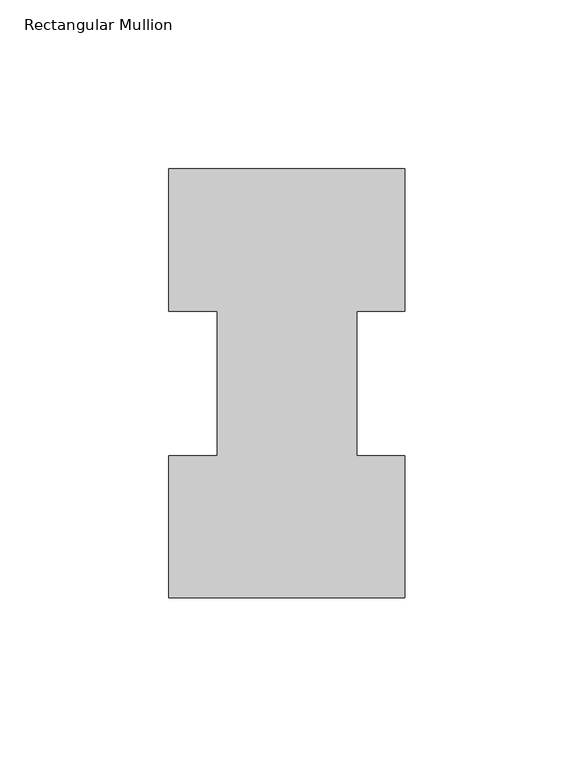
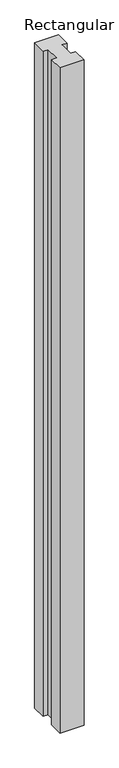
"""IFC4 building model written with IfcOpenShell, lengths in millimetres: member geometry, Rectangular Mullion."""

import ifcopenshell
import ifcopenshell.guid

model = None  # the IFC model being written
_history = None  # IfcOwnerHistory: only IFC2X3 demands one
_inside = {}  # id of a spatial element -> (the spatial element, [elements in it])
_under = {}  # id of a project, library or spatial element -> (it, [spatial elements below it])
_declared = {}  # id of a project -> (the project, [libraries it declares])
_typed = {}  # id of a type object -> (the type object, [elements of that type])
_made_of = {}  # id of a material, layer set ... -> (it, [elements and type objects made of it])


def new_model(schema):
    """Start an empty IFC model of exactly this schema.

    Asked for "IFC4X3", IfcOpenShell would pick the latest addendum, in which some entities
    have other attributes; the version numbers below select the first issue.
    IFC2X3 requires an IfcOwnerHistory on every rooted entity: one is made here for all.
    """
    global model, _history
    if schema == "IFC4X3":
        model = ifcopenshell.file(schema_version=(4, 3, 0, 0))
    else:
        model = ifcopenshell.file(schema=schema)
    _inside.clear()
    _under.clear()
    _declared.clear()
    _typed.clear()
    _made_of.clear()
    _history = None
    if model.schema == "IFC2X3":
        org = make("IfcOrganization", Name="unknown")
        user = make(
            "IfcPersonAndOrganization",
            ThePerson=make("IfcPerson", FamilyName="unknown"),
            TheOrganization=org,
        )
        app = make(
            "IfcApplication",
            ApplicationDeveloper=org,
            Version="unknown",
            ApplicationFullName="unknown",
            ApplicationIdentifier="unknown",
        )
        _history = make(
            "IfcOwnerHistory",
            OwningUser=user,
            OwningApplication=app,
            ChangeAction="ADDED",
            CreationDate=0,
        )
    return model


def make(cls, **values):
    """One entity of the class cls with the attributes given. An attribute that is None is left unset."""
    return model.create_entity(
        cls, **{name: value for name, value in values.items() if value is not None}
    )


def rooted(cls, **values):
    """An entity with a GlobalId (a new one), such as an element, a storey or a relation."""
    return make(cls, GlobalId=ifcopenshell.guid.new(), OwnerHistory=_history, **values)


def si_unit(unit_type, name, prefix=None):
    """IfcSIUnit, for example si_unit("LENGTHUNIT", "METRE", prefix="MILLI")."""
    return make("IfcSIUnit", UnitType=unit_type, Prefix=prefix, Name=name)


def assignment(units):
    """IfcUnitAssignment: the units of a project."""
    return None if units is None else make("IfcUnitAssignment", Units=units)


def point(xyz):
    """IfcCartesianPoint."""
    return None if xyz is None else make("IfcCartesianPoint", Coordinates=xyz)


def direction(xyz):
    """IfcDirection."""
    return None if xyz is None else make("IfcDirection", DirectionRatios=xyz)


def frame(location, z_axis=None, x_axis=None):
    """IfcAxis2Placement3D, a coordinate frame: its origin and axes. An axis left out is left unset."""
    return make(
        "IfcAxis2Placement3D",
        Location=point(location),
        Axis=direction(z_axis),
        RefDirection=direction(x_axis),
    )


def origin():
    """The frame at (0, 0, 0) with its axes left unset."""
    return frame((0.0, 0.0, 0.0))


def place(relative_to, where):
    """IfcLocalPlacement: puts the frame where relative to a parent placement (None: the world)."""
    return make(
        "IfcLocalPlacement", PlacementRelTo=relative_to, RelativePlacement=where
    )


def context(
    kind, dimensions, precision=None, world=None, true_north=None, identifier=None
):
    """IfcGeometricRepresentationContext, for example the 3D "Model" context."""
    return make(
        "IfcGeometricRepresentationContext",
        ContextIdentifier=identifier,
        ContextType=kind,
        CoordinateSpaceDimension=dimensions,
        Precision=precision,
        WorldCoordinateSystem=world,
        TrueNorth=true_north,
    )


def project(units=None, contexts=None):
    """IfcProject with its units and contexts."""
    return rooted(
        "IfcProject",
        Name="project",
        RepresentationContexts=contexts,
        UnitsInContext=assignment(units),
    )


def spatial(cls, under=None, at=None, **own):
    """A site, building, storey or space (cls), placed at a placement, below another one or the project."""
    s = rooted(cls, ObjectPlacement=at, **own)
    if under is not None:
        _under.setdefault(under.id(), (under, []))[1].append(s)
    return s


def polyline(points):
    """IfcPolyline through the points."""
    return make("IfcPolyline", Points=[point(p) for p in points])


def outline(outer, holes=None, kind="AREA"):
    """IfcArbitraryClosedProfileDef: a profile drawn as a closed curve; with holes, ...WithVoids."""
    if holes is None:
        return make("IfcArbitraryClosedProfileDef", ProfileType=kind, OuterCurve=outer)
    return make(
        "IfcArbitraryProfileDefWithVoids",
        ProfileType=kind,
        OuterCurve=outer,
        InnerCurves=holes,
    )


def extrude(swept, where, along, depth):
    """IfcExtrudedAreaSolid: the profile swept, set in the frame where, extruded along a direction by depth."""
    return make(
        "IfcExtrudedAreaSolid",
        SweptArea=swept,
        Position=where,
        ExtrudedDirection=direction(along),
        Depth=depth,
    )


def shape(context_of_items, identifier, shape_type, items):
    """IfcShapeRepresentation: the items that make up one representation, for example the "Body"."""
    return make(
        "IfcShapeRepresentation",
        ContextOfItems=context_of_items,
        RepresentationIdentifier=identifier,
        RepresentationType=shape_type,
        Items=items,
    )


def source(mapping_origin, context_of_items, identifier, shape_type, items):
    """IfcRepresentationMap: a shape defined once, which mapped items show again and again."""
    return make(
        "IfcRepresentationMap",
        MappingOrigin=mapping_origin,
        MappedRepresentation=shape(context_of_items, identifier, shape_type, items),
    )


def transform(
    local_origin,
    x_axis=None,
    y_axis=None,
    z_axis=None,
    scale=None,
    scale2=None,
    scale3=None,
    uniform=True,
):
    """IfcCartesianTransformationOperator3D, or its non-uniform kind. x_axis, y_axis, z_axis: its Axis1, 2, 3."""
    if uniform:
        return make(
            "IfcCartesianTransformationOperator3D",
            Axis1=direction(x_axis),
            Axis2=direction(y_axis),
            LocalOrigin=point(local_origin),
            Scale=scale,
            Axis3=direction(z_axis),
        )
    return make(
        "IfcCartesianTransformationOperator3DnonUniform",
        Axis1=direction(x_axis),
        Axis2=direction(y_axis),
        LocalOrigin=point(local_origin),
        Scale=scale,
        Axis3=direction(z_axis),
        Scale2=scale2,
        Scale3=scale3,
    )


def mapped(mapping_source, mapping_target):
    """IfcMappedItem: shows the shape of a source again, moved by a transform."""
    return make(
        "IfcMappedItem", MappingSource=mapping_source, MappingTarget=mapping_target
    )


def made_of(thing, what):
    """Note that an element or type object is made of a material, layer set ...; save() writes the relation."""
    if what is not None:
        _made_of.setdefault(what.id(), (what, []))[1].append(thing)
    return thing


def element(
    cls,
    number,
    at=None,
    inside=None,
    cuts=None,
    type_object=None,
    material=None,
    context=None,
    identifier="Body",
    shape_type=None,
    held_by="IfcProductDefinitionShape",
    body=None,
    shapes=None,
    **own,
):
    """One element of the class cls, such as IfcWall. Its Tag is "e" and its number.

    at: its placement. inside: the storey or other place that contains it. cuts: it is an
    opening in that element (IfcRelVoidsElement). A single representation is given by context,
    identifier, shape_type and body (its items); several are given by shapes. held_by: the class
    of the entity that holds the representations. save() writes the other relations.
    """
    e = rooted(cls, Tag="e%d" % number, ObjectPlacement=at, **own)
    if body is not None:
        shapes = [shape(context, identifier, shape_type, body)]
    if shapes is not None:
        e.Representation = make(held_by, Representations=shapes)
    if inside is not None:
        _inside.setdefault(inside.id(), (inside, []))[1].append(e)
    if cuts is not None:
        rooted(
            "IfcRelVoidsElement", RelatingBuildingElement=cuts, RelatedOpeningElement=e
        )
    if type_object is not None:
        _typed.setdefault(type_object.id(), (type_object, []))[1].append(e)
    return made_of(e, material)


def aggregate(whole, parts):
    """IfcRelAggregates: a whole, such as a stair, and the parts it consists of."""
    return rooted("IfcRelAggregates", RelatingObject=whole, RelatedObjects=parts)


def save(model, path):
    """Write the relations noted so far, then the file.

    IfcRelAggregates (storeys below a building ...), IfcRelContainedInSpatialStructure (elements
    in a storey), IfcRelDefinesByType, IfcRelAssociatesMaterial and IfcRelDeclares: one each for
    every whole, place, type object, material and project.
    """
    for whole, parts in _under.values():
        aggregate(whole, parts)
    for where, things in _inside.values():
        rooted(
            "IfcRelContainedInSpatialStructure",
            RelatedElements=things,
            RelatingStructure=where,
        )
    for kind, things in _typed.values():
        rooted("IfcRelDefinesByType", RelatedObjects=things, RelatingType=kind)
    for what, things in _made_of.values():
        rooted("IfcRelAssociatesMaterial", RelatedObjects=things, RelatingMaterial=what)
    for by, libraries in _declared.values():
        rooted("IfcRelDeclares", RelatingContext=by, RelatedDefinitions=libraries)
    model.write(path)


def rectangular_mullion_39ab639b(model_context):
    return source(origin(), model_context, "Body", "SweptSolid", [
        extrude(outline(polyline([(-38.1, 127.00635), (31.75, 127.00635), (31.75, 84.93125), (17.4625, 84.93125), (17.4625, 42.08145), (31.75, 42.08145), (31.75, 0.00635), (-38.1, 0.00635), (-38.1, 42.08145), (-23.8125, 42.08145), (-23.8125, 84.93125), (-38.1, 84.93125), (-38.1, 127.00635)])), frame((0.0, 0.0, -2044.7227299), z_axis=(0.0, 0.0, 1.0), x_axis=(1.0, 0.0, 0.0)), (0.0, 0.0, 1.0), 2044.7227299),
    ])


if __name__ == "__main__":
    model = new_model("IFC4")
    model_context = context("Model", 3, world=origin())
    ifc_project = project(units=[si_unit("LENGTHUNIT", "METRE", prefix="MILLI")], contexts=[model_context])
    site = spatial("IfcSite", under=ifc_project)
    building = spatial("IfcBuilding", under=site)
    placement = place(None, origin())
    rectangular_mullion_shape = rectangular_mullion_39ab639b(model_context)
    element("IfcMember", 1, ObjectType="Rectangular Mullion", at=placement, inside=building, context=model_context, shape_type="MappedRepresentation", body=[
        mapped(rectangular_mullion_shape, transform((0.0, 0.0, 0.0), x_axis=(1.0, 0.0, 0.0), y_axis=(0.0, 1.0, 0.0), z_axis=(0.0, 0.0, 1.0))),
    ])
    save(model, "model.ifc")
